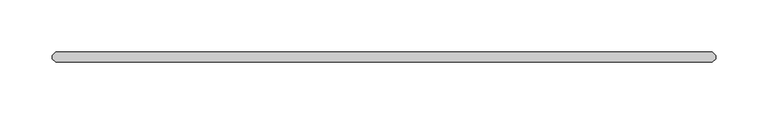
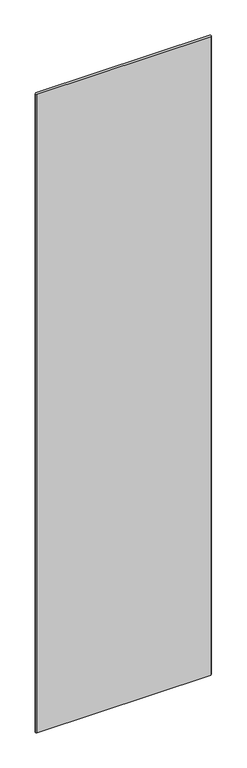
"""IFC4 building model written with IfcOpenShell, lengths in millimetres: plate geometry."""

import ifcopenshell
import ifcopenshell.guid

model = None  # the IFC model being written
_history = None  # IfcOwnerHistory: only IFC2X3 demands one
_inside = {}  # id of a spatial element -> (the spatial element, [elements in it])
_under = {}  # id of a project, library or spatial element -> (it, [spatial elements below it])
_declared = {}  # id of a project -> (the project, [libraries it declares])
_typed = {}  # id of a type object -> (the type object, [elements of that type])
_made_of = {}  # id of a material, layer set ... -> (it, [elements and type objects made of it])


def new_model(schema):
    """Start an empty IFC model of exactly this schema.

    Asked for "IFC4X3", IfcOpenShell would pick the latest addendum, in which some entities
    have other attributes; the version numbers below select the first issue.
    IFC2X3 requires an IfcOwnerHistory on every rooted entity: one is made here for all.
    """
    global model, _history
    if schema == "IFC4X3":
        model = ifcopenshell.file(schema_version=(4, 3, 0, 0))
    else:
        model = ifcopenshell.file(schema=schema)
    _inside.clear()
    _under.clear()
    _declared.clear()
    _typed.clear()
    _made_of.clear()
    _history = None
    if model.schema == "IFC2X3":
        org = make("IfcOrganization", Name="unknown")
        user = make(
            "IfcPersonAndOrganization",
            ThePerson=make("IfcPerson", FamilyName="unknown"),
            TheOrganization=org,
        )
        app = make(
            "IfcApplication",
            ApplicationDeveloper=org,
            Version="unknown",
            ApplicationFullName="unknown",
            ApplicationIdentifier="unknown",
        )
        _history = make(
            "IfcOwnerHistory",
            OwningUser=user,
            OwningApplication=app,
            ChangeAction="ADDED",
            CreationDate=0,
        )
    return model


def make(cls, **values):
    """One entity of the class cls with the attributes given. An attribute that is None is left unset."""
    return model.create_entity(
        cls, **{name: value for name, value in values.items() if value is not None}
    )


def rooted(cls, **values):
    """An entity with a GlobalId (a new one), such as an element, a storey or a relation."""
    return make(cls, GlobalId=ifcopenshell.guid.new(), OwnerHistory=_history, **values)


def si_unit(unit_type, name, prefix=None):
    """IfcSIUnit, for example si_unit("LENGTHUNIT", "METRE", prefix="MILLI")."""
    return make("IfcSIUnit", UnitType=unit_type, Prefix=prefix, Name=name)


def assignment(units):
    """IfcUnitAssignment: the units of a project."""
    return None if units is None else make("IfcUnitAssignment", Units=units)


def point(xyz):
    """IfcCartesianPoint."""
    return None if xyz is None else make("IfcCartesianPoint", Coordinates=xyz)


def direction(xyz):
    """IfcDirection."""
    return None if xyz is None else make("IfcDirection", DirectionRatios=xyz)


def frame(location, z_axis=None, x_axis=None):
    """IfcAxis2Placement3D, a coordinate frame: its origin and axes. An axis left out is left unset."""
    return make(
        "IfcAxis2Placement3D",
        Location=point(location),
        Axis=direction(z_axis),
        RefDirection=direction(x_axis),
    )


def origin():
    """The frame at (0, 0, 0) with its axes left unset."""
    return frame((0.0, 0.0, 0.0))


def origin_with_axes():
    """The frame at (0, 0, 0) with the z axis (0, 0, 1) and the x axis (1, 0, 0) written out."""
    return frame((0.0, 0.0, 0.0), z_axis=(0.0, 0.0, 1.0), x_axis=(1.0, 0.0, 0.0))


def place(relative_to, where):
    """IfcLocalPlacement: puts the frame where relative to a parent placement (None: the world)."""
    return make(
        "IfcLocalPlacement", PlacementRelTo=relative_to, RelativePlacement=where
    )


def context(
    kind, dimensions, precision=None, world=None, true_north=None, identifier=None
):
    """IfcGeometricRepresentationContext, for example the 3D "Model" context."""
    return make(
        "IfcGeometricRepresentationContext",
        ContextIdentifier=identifier,
        ContextType=kind,
        CoordinateSpaceDimension=dimensions,
        Precision=precision,
        WorldCoordinateSystem=world,
        TrueNorth=true_north,
    )


def project(units=None, contexts=None):
    """IfcProject with its units and contexts."""
    return rooted(
        "IfcProject",
        Name="project",
        RepresentationContexts=contexts,
        UnitsInContext=assignment(units),
    )


def spatial(cls, under=None, at=None, **own):
    """A site, building, storey or space (cls), placed at a placement, below another one or the project."""
    s = rooted(cls, ObjectPlacement=at, **own)
    if under is not None:
        _under.setdefault(under.id(), (under, []))[1].append(s)
    return s


def polyline(points):
    """IfcPolyline through the points."""
    return make("IfcPolyline", Points=[point(p) for p in points])


def outline(outer, holes=None, kind="AREA"):
    """IfcArbitraryClosedProfileDef: a profile drawn as a closed curve; with holes, ...WithVoids."""
    if holes is None:
        return make("IfcArbitraryClosedProfileDef", ProfileType=kind, OuterCurve=outer)
    return make(
        "IfcArbitraryProfileDefWithVoids",
        ProfileType=kind,
        OuterCurve=outer,
        InnerCurves=holes,
    )


def extrude(swept, where, along, depth):
    """IfcExtrudedAreaSolid: the profile swept, set in the frame where, extruded along a direction by depth."""
    return make(
        "IfcExtrudedAreaSolid",
        SweptArea=swept,
        Position=where,
        ExtrudedDirection=direction(along),
        Depth=depth,
    )


def shape(context_of_items, identifier, shape_type, items):
    """IfcShapeRepresentation: the items that make up one representation, for example the "Body"."""
    return make(
        "IfcShapeRepresentation",
        ContextOfItems=context_of_items,
        RepresentationIdentifier=identifier,
        RepresentationType=shape_type,
        Items=items,
    )


def source(mapping_origin, context_of_items, identifier, shape_type, items):
    """IfcRepresentationMap: a shape defined once, which mapped items show again and again."""
    return make(
        "IfcRepresentationMap",
        MappingOrigin=mapping_origin,
        MappedRepresentation=shape(context_of_items, identifier, shape_type, items),
    )


def transform(
    local_origin,
    x_axis=None,
    y_axis=None,
    z_axis=None,
    scale=None,
    scale2=None,
    scale3=None,
    uniform=True,
):
    """IfcCartesianTransformationOperator3D, or its non-uniform kind. x_axis, y_axis, z_axis: its Axis1, 2, 3."""
    if uniform:
        return make(
            "IfcCartesianTransformationOperator3D",
            Axis1=direction(x_axis),
            Axis2=direction(y_axis),
            LocalOrigin=point(local_origin),
            Scale=scale,
            Axis3=direction(z_axis),
        )
    return make(
        "IfcCartesianTransformationOperator3DnonUniform",
        Axis1=direction(x_axis),
        Axis2=direction(y_axis),
        LocalOrigin=point(local_origin),
        Scale=scale,
        Axis3=direction(z_axis),
        Scale2=scale2,
        Scale3=scale3,
    )


def mapped(mapping_source, mapping_target):
    """IfcMappedItem: shows the shape of a source again, moved by a transform."""
    return make(
        "IfcMappedItem", MappingSource=mapping_source, MappingTarget=mapping_target
    )


def made_of(thing, what):
    """Note that an element or type object is made of a material, layer set ...; save() writes the relation."""
    if what is not None:
        _made_of.setdefault(what.id(), (what, []))[1].append(thing)
    return thing


def element(
    cls,
    number,
    at=None,
    inside=None,
    cuts=None,
    type_object=None,
    material=None,
    context=None,
    identifier="Body",
    shape_type=None,
    held_by="IfcProductDefinitionShape",
    body=None,
    shapes=None,
    **own,
):
    """One element of the class cls, such as IfcWall. Its Tag is "e" and its number.

    at: its placement. inside: the storey or other place that contains it. cuts: it is an
    opening in that element (IfcRelVoidsElement). A single representation is given by context,
    identifier, shape_type and body (its items); several are given by shapes. held_by: the class
    of the entity that holds the representations. save() writes the other relations.
    """
    e = rooted(cls, Tag="e%d" % number, ObjectPlacement=at, **own)
    if body is not None:
        shapes = [shape(context, identifier, shape_type, body)]
    if shapes is not None:
        e.Representation = make(held_by, Representations=shapes)
    if inside is not None:
        _inside.setdefault(inside.id(), (inside, []))[1].append(e)
    if cuts is not None:
        rooted(
            "IfcRelVoidsElement", RelatingBuildingElement=cuts, RelatedOpeningElement=e
        )
    if type_object is not None:
        _typed.setdefault(type_object.id(), (type_object, []))[1].append(e)
    return made_of(e, material)


def aggregate(whole, parts):
    """IfcRelAggregates: a whole, such as a stair, and the parts it consists of."""
    return rooted("IfcRelAggregates", RelatingObject=whole, RelatedObjects=parts)


def save(model, path):
    """Write the relations noted so far, then the file.

    IfcRelAggregates (storeys below a building ...), IfcRelContainedInSpatialStructure (elements
    in a storey), IfcRelDefinesByType, IfcRelAssociatesMaterial and IfcRelDeclares: one each for
    every whole, place, type object, material and project.
    """
    for whole, parts in _under.values():
        aggregate(whole, parts)
    for where, things in _inside.values():
        rooted(
            "IfcRelContainedInSpatialStructure",
            RelatedElements=things,
            RelatingStructure=where,
        )
    for kind, things in _typed.values():
        rooted("IfcRelDefinesByType", RelatedObjects=things, RelatingType=kind)
    for what, things in _made_of.values():
        rooted("IfcRelAssociatesMaterial", RelatedObjects=things, RelatingMaterial=what)
    for by, libraries in _declared.values():
        rooted("IfcRelDeclares", RelatingContext=by, RelatedDefinitions=libraries)
    model.write(path)


def plate_b935d6f9(model_context):
    return source(origin(), model_context, "Body", "SweptSolid", [
        extrude(outline(polyline([(312.853742, -34.925), (-312.853742, -34.925), (-316.028742, -31.75), (-316.028742, -28.575), (-312.853742, -25.4), (312.853742, -25.4), (316.028742, -28.575), (316.028742, -31.75), (312.853742, -34.925)])), origin_with_axes(), (0.0, 0.0, 1.0), 2428.7789267),
    ])


if __name__ == "__main__":
    model = new_model("IFC4")
    model_context = context("Model", 3, world=origin())
    ifc_project = project(units=[si_unit("LENGTHUNIT", "METRE", prefix="MILLI")], contexts=[model_context])
    site = spatial("IfcSite", under=ifc_project)
    building = spatial("IfcBuilding", under=site)
    placement = place(None, origin())
    plate_shape = plate_b935d6f9(model_context)
    element("IfcPlate", 1, at=placement, inside=building, context=model_context, shape_type="MappedRepresentation", body=[
        mapped(plate_shape, transform((0.0, 0.0, 0.0), x_axis=(1.0, 0.0, 0.0), y_axis=(0.0, 1.0, 0.0), z_axis=(0.0, 0.0, 1.0))),
    ])
    save(model, "model.ifc")
